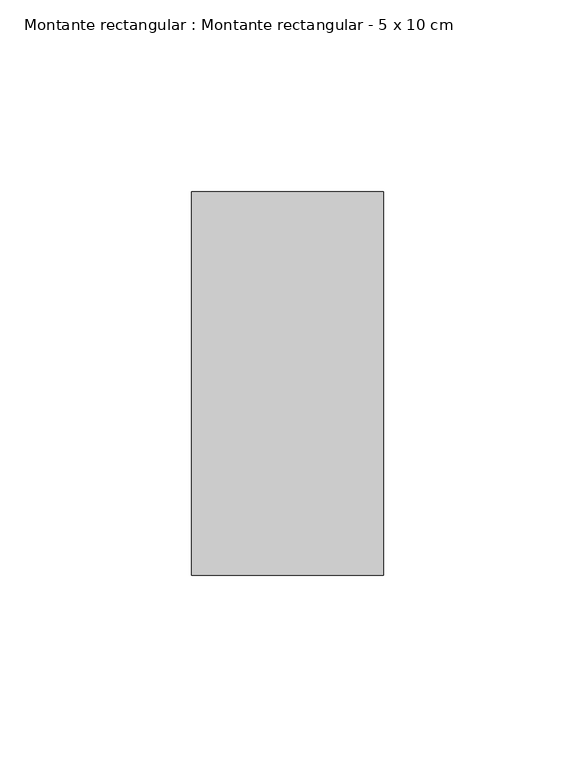
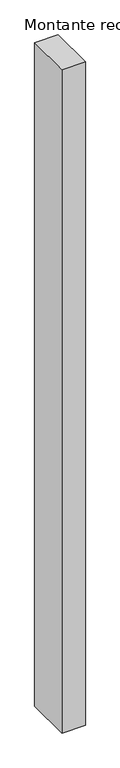
"""IFC4 building model written with IfcOpenShell, lengths in millimetres: member geometry, Montante rectangular : Montante rectangular - 5 x 10 cm."""

import ifcopenshell
import ifcopenshell.guid

model = None  # the IFC model being written
_history = None  # IfcOwnerHistory: only IFC2X3 demands one
_inside = {}  # id of a spatial element -> (the spatial element, [elements in it])
_under = {}  # id of a project, library or spatial element -> (it, [spatial elements below it])
_declared = {}  # id of a project -> (the project, [libraries it declares])
_typed = {}  # id of a type object -> (the type object, [elements of that type])
_made_of = {}  # id of a material, layer set ... -> (it, [elements and type objects made of it])


def new_model(schema):
    """Start an empty IFC model of exactly this schema.

    Asked for "IFC4X3", IfcOpenShell would pick the latest addendum, in which some entities
    have other attributes; the version numbers below select the first issue.
    IFC2X3 requires an IfcOwnerHistory on every rooted entity: one is made here for all.
    """
    global model, _history
    if schema == "IFC4X3":
        model = ifcopenshell.file(schema_version=(4, 3, 0, 0))
    else:
        model = ifcopenshell.file(schema=schema)
    _inside.clear()
    _under.clear()
    _declared.clear()
    _typed.clear()
    _made_of.clear()
    _history = None
    if model.schema == "IFC2X3":
        org = make("IfcOrganization", Name="unknown")
        user = make(
            "IfcPersonAndOrganization",
            ThePerson=make("IfcPerson", FamilyName="unknown"),
            TheOrganization=org,
        )
        app = make(
            "IfcApplication",
            ApplicationDeveloper=org,
            Version="unknown",
            ApplicationFullName="unknown",
            ApplicationIdentifier="unknown",
        )
        _history = make(
            "IfcOwnerHistory",
            OwningUser=user,
            OwningApplication=app,
            ChangeAction="ADDED",
            CreationDate=0,
        )
    return model


def make(cls, **values):
    """One entity of the class cls with the attributes given. An attribute that is None is left unset."""
    return model.create_entity(
        cls, **{name: value for name, value in values.items() if value is not None}
    )


def rooted(cls, **values):
    """An entity with a GlobalId (a new one), such as an element, a storey or a relation."""
    return make(cls, GlobalId=ifcopenshell.guid.new(), OwnerHistory=_history, **values)


def si_unit(unit_type, name, prefix=None):
    """IfcSIUnit, for example si_unit("LENGTHUNIT", "METRE", prefix="MILLI")."""
    return make("IfcSIUnit", UnitType=unit_type, Prefix=prefix, Name=name)


def assignment(units):
    """IfcUnitAssignment: the units of a project."""
    return None if units is None else make("IfcUnitAssignment", Units=units)


def point(xyz):
    """IfcCartesianPoint."""
    return None if xyz is None else make("IfcCartesianPoint", Coordinates=xyz)


def direction(xyz):
    """IfcDirection."""
    return None if xyz is None else make("IfcDirection", DirectionRatios=xyz)


def frame(location, z_axis=None, x_axis=None):
    """IfcAxis2Placement3D, a coordinate frame: its origin and axes. An axis left out is left unset."""
    return make(
        "IfcAxis2Placement3D",
        Location=point(location),
        Axis=direction(z_axis),
        RefDirection=direction(x_axis),
    )


def origin():
    """The frame at (0, 0, 0) with its axes left unset."""
    return frame((0.0, 0.0, 0.0))


def place(relative_to, where):
    """IfcLocalPlacement: puts the frame where relative to a parent placement (None: the world)."""
    return make(
        "IfcLocalPlacement", PlacementRelTo=relative_to, RelativePlacement=where
    )


def context(
    kind, dimensions, precision=None, world=None, true_north=None, identifier=None
):
    """IfcGeometricRepresentationContext, for example the 3D "Model" context."""
    return make(
        "IfcGeometricRepresentationContext",
        ContextIdentifier=identifier,
        ContextType=kind,
        CoordinateSpaceDimension=dimensions,
        Precision=precision,
        WorldCoordinateSystem=world,
        TrueNorth=true_north,
    )


def project(units=None, contexts=None):
    """IfcProject with its units and contexts."""
    return rooted(
        "IfcProject",
        Name="project",
        RepresentationContexts=contexts,
        UnitsInContext=assignment(units),
    )


def spatial(cls, under=None, at=None, **own):
    """A site, building, storey or space (cls), placed at a placement, below another one or the project."""
    s = rooted(cls, ObjectPlacement=at, **own)
    if under is not None:
        _under.setdefault(under.id(), (under, []))[1].append(s)
    return s


def polyline(points):
    """IfcPolyline through the points."""
    return make("IfcPolyline", Points=[point(p) for p in points])


def outline(outer, holes=None, kind="AREA"):
    """IfcArbitraryClosedProfileDef: a profile drawn as a closed curve; with holes, ...WithVoids."""
    if holes is None:
        return make("IfcArbitraryClosedProfileDef", ProfileType=kind, OuterCurve=outer)
    return make(
        "IfcArbitraryProfileDefWithVoids",
        ProfileType=kind,
        OuterCurve=outer,
        InnerCurves=holes,
    )


def extrude(swept, where, along, depth):
    """IfcExtrudedAreaSolid: the profile swept, set in the frame where, extruded along a direction by depth."""
    return make(
        "IfcExtrudedAreaSolid",
        SweptArea=swept,
        Position=where,
        ExtrudedDirection=direction(along),
        Depth=depth,
    )


def shape(context_of_items, identifier, shape_type, items):
    """IfcShapeRepresentation: the items that make up one representation, for example the "Body"."""
    return make(
        "IfcShapeRepresentation",
        ContextOfItems=context_of_items,
        RepresentationIdentifier=identifier,
        RepresentationType=shape_type,
        Items=items,
    )


def source(mapping_origin, context_of_items, identifier, shape_type, items):
    """IfcRepresentationMap: a shape defined once, which mapped items show again and again."""
    return make(
        "IfcRepresentationMap",
        MappingOrigin=mapping_origin,
        MappedRepresentation=shape(context_of_items, identifier, shape_type, items),
    )


def transform(
    local_origin,
    x_axis=None,
    y_axis=None,
    z_axis=None,
    scale=None,
    scale2=None,
    scale3=None,
    uniform=True,
):
    """IfcCartesianTransformationOperator3D, or its non-uniform kind. x_axis, y_axis, z_axis: its Axis1, 2, 3."""
    if uniform:
        return make(
            "IfcCartesianTransformationOperator3D",
            Axis1=direction(x_axis),
            Axis2=direction(y_axis),
            LocalOrigin=point(local_origin),
            Scale=scale,
            Axis3=direction(z_axis),
        )
    return make(
        "IfcCartesianTransformationOperator3DnonUniform",
        Axis1=direction(x_axis),
        Axis2=direction(y_axis),
        LocalOrigin=point(local_origin),
        Scale=scale,
        Axis3=direction(z_axis),
        Scale2=scale2,
        Scale3=scale3,
    )


def mapped(mapping_source, mapping_target):
    """IfcMappedItem: shows the shape of a source again, moved by a transform."""
    return make(
        "IfcMappedItem", MappingSource=mapping_source, MappingTarget=mapping_target
    )


def made_of(thing, what):
    """Note that an element or type object is made of a material, layer set ...; save() writes the relation."""
    if what is not None:
        _made_of.setdefault(what.id(), (what, []))[1].append(thing)
    return thing


def element(
    cls,
    number,
    at=None,
    inside=None,
    cuts=None,
    type_object=None,
    material=None,
    context=None,
    identifier="Body",
    shape_type=None,
    held_by="IfcProductDefinitionShape",
    body=None,
    shapes=None,
    **own,
):
    """One element of the class cls, such as IfcWall. Its Tag is "e" and its number.

    at: its placement. inside: the storey or other place that contains it. cuts: it is an
    opening in that element (IfcRelVoidsElement). A single representation is given by context,
    identifier, shape_type and body (its items); several are given by shapes. held_by: the class
    of the entity that holds the representations. save() writes the other relations.
    """
    e = rooted(cls, Tag="e%d" % number, ObjectPlacement=at, **own)
    if body is not None:
        shapes = [shape(context, identifier, shape_type, body)]
    if shapes is not None:
        e.Representation = make(held_by, Representations=shapes)
    if inside is not None:
        _inside.setdefault(inside.id(), (inside, []))[1].append(e)
    if cuts is not None:
        rooted(
            "IfcRelVoidsElement", RelatingBuildingElement=cuts, RelatedOpeningElement=e
        )
    if type_object is not None:
        _typed.setdefault(type_object.id(), (type_object, []))[1].append(e)
    return made_of(e, material)


def aggregate(whole, parts):
    """IfcRelAggregates: a whole, such as a stair, and the parts it consists of."""
    return rooted("IfcRelAggregates", RelatingObject=whole, RelatedObjects=parts)


def save(model, path):
    """Write the relations noted so far, then the file.

    IfcRelAggregates (storeys below a building ...), IfcRelContainedInSpatialStructure (elements
    in a storey), IfcRelDefinesByType, IfcRelAssociatesMaterial and IfcRelDeclares: one each for
    every whole, place, type object, material and project.
    """
    for whole, parts in _under.values():
        aggregate(whole, parts)
    for where, things in _inside.values():
        rooted(
            "IfcRelContainedInSpatialStructure",
            RelatedElements=things,
            RelatingStructure=where,
        )
    for kind, things in _typed.values():
        rooted("IfcRelDefinesByType", RelatedObjects=things, RelatingType=kind)
    for what, things in _made_of.values():
        rooted("IfcRelAssociatesMaterial", RelatedObjects=things, RelatingMaterial=what)
    for by, libraries in _declared.values():
        rooted("IfcRelDeclares", RelatingContext=by, RelatedDefinitions=libraries)
    model.write(path)


def montante_rectangular_montante_rectangular_5_x_10_cm_4d1b8932(model_context):
    return source(origin(), model_context, "Body", "SweptSolid", [
        extrude(outline(polyline([(25.0, 50.0), (25.0, -50.0), (-25.0, -50.0), (-25.0, 50.0), (25.0, 50.0)])), frame((0.0, 0.0, -1491.0), z_axis=(0.0, 0.0, 1.0), x_axis=(1.0, 0.0, 0.0)), (0.0, 0.0, 1.0), 1491.0),
    ])


if __name__ == "__main__":
    model = new_model("IFC4")
    model_context = context("Model", 3, world=origin())
    ifc_project = project(units=[si_unit("LENGTHUNIT", "METRE", prefix="MILLI")], contexts=[model_context])
    site = spatial("IfcSite", under=ifc_project)
    building = spatial("IfcBuilding", under=site)
    placement = place(None, origin())
    montante_rectangular_montante_rectangular_5_x_10_cm_shape = montante_rectangular_montante_rectangular_5_x_10_cm_4d1b8932(model_context)
    element("IfcMember", 1, ObjectType="Montante rectangular : Montante rectangular - 5 x 10 cm", at=placement, inside=building, context=model_context, shape_type="MappedRepresentation", body=[
        mapped(montante_rectangular_montante_rectangular_5_x_10_cm_shape, transform((0.0, 0.0, 0.0), x_axis=(1.0, 0.0, 0.0), y_axis=(0.0, 1.0, 0.0), z_axis=(0.0, 0.0, 1.0))),
    ])
    save(model, "model.ifc")
